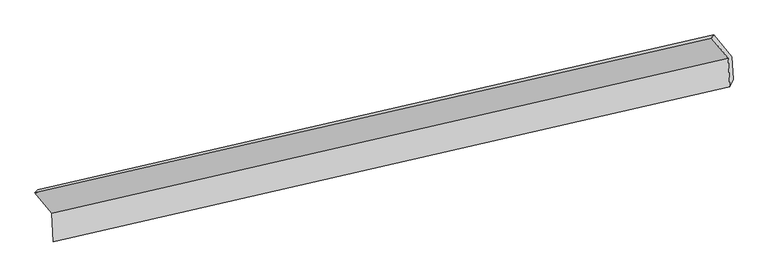
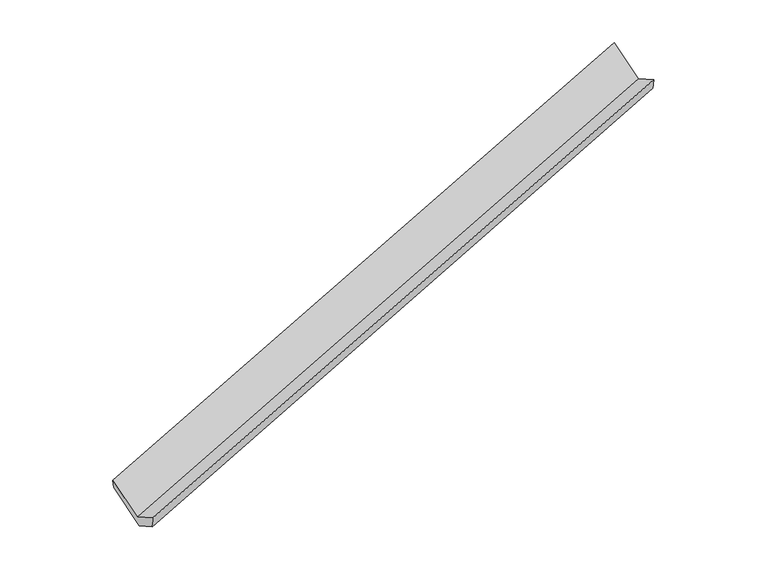
"""IFC4 building model written with IfcOpenShell, lengths in millimetres: proxy geometry."""

from ifc_helpers import new_model, si_unit, frame, origin, place, context, project, spatial, source, transform, mapped, element, save
from ifc_brep_helpers import plane_surface, spline_surface, advanced_brep


def generic_models_45637df9(model_context):
    return source(origin(), model_context, "Body", "AdvancedBrep", [
        advanced_brep(
        [(-8155.6623117, -3091.3191607, 30.4083155), (-8177.5443956, -2707.196548, -180.3983999), (2684.9244513, -221.8110206, 3241.6294488), (2705.6837264, -586.2236167, 3441.6192956), (-8463.2369648, -2361.327962, 479.4832998), (2397.441667, 126.2248572, 3905.6461185), (-8509.3642796, -2411.4184419, 663.4403758), (2357.9764328, 76.2208939, 4068.2581904), (-8238.935378, -2738.8083422, 38.8141082), (2626.6151192, -249.0017146, 3447.7668927), (-8212.6935313, -3199.4631308, 291.6217267), (2652.5643022, -704.5190239, 3697.7550595)],
        [
            (0, 1),
            (1, 2),
            (2, 3),
            (3, 0),
            (1, 4),
            (4, 5),
            (5, 2),
            (4, 6),
            (6, 7),
            (7, 5),
            (6, 8),
            (8, 9),
            (9, 7),
            (8, 10),
            (10, 11),
            (11, 9),
            (10, 0),
            (3, 11),
        ],
        [
            plane_surface(frame((-8166.6033537, -2899.2578544, -74.9950422), z_axis=(0.35948843861563595, -0.4331270805276748, -0.8265403768814115), x_axis=(-0.04987798178086257, 0.8755683768901131, -0.48051243930150345))),
            plane_surface(frame((-8320.3906802, -2534.262255, 149.54245), z_axis=(-0.049078109090048644, 0.8757510324009877, -0.4802618748732296), x_axis=(-0.3580430184688611, 0.43345835995256093, 0.8269939825131396))),
            spline_surface(1, 1, [[(-8463.2369648, -2361.327962, 479.4832998), (2397.441667, 126.2248572, 3905.6461185)], [(-8509.3642796, -2411.4184419, 663.4403758), (2357.9764328, 76.2208939, 4068.2581904)]], [2, 2], [2, 2], [0.0, 1.0], [0.0, 1.0]),
            plane_surface(frame((-8374.1498288, -2575.113392, 351.127242), z_axis=(0.04987798178084507, -0.875568376890107, 0.4805124393015161), x_axis=(0.3580430184688692, -0.4334583599525625, -0.8269939825131352))),
            plane_surface(frame((-8225.8144547, -2969.1357365, 165.2179174), z_axis=(-0.35868893012969083, 0.43331047506535625, 0.8267915599478828), x_axis=(0.049877981780856936, -0.8755683768901086, 0.48051243930151216))),
            spline_surface(1, 1, [[(-8212.6935313, -3199.4631308, 291.6217267), (2652.5643022, -704.5190239, 3697.7550595)], [(-8155.6623117, -3091.3191607, 30.4083155), (2705.6837264, -586.2236167, 3441.6192956)]], [2, 2], [2, 2], [0.0, 1.0], [0.0, 1.0]),
            plane_surface(frame((2570.8676165, -259.8516041, 3633.7791676), z_axis=(0.9323719128432574, 0.21329291497213496, 0.291871116357366), x_axis=(0.049877981780856936, -0.8755683768901086, 0.48051243930151216))),
            plane_surface(frame((-8292.9061435, -2751.5889309, 220.561571), z_axis=(-0.9323719128432515, -0.2132929149721506, -0.2918711163573728), x_axis=(-0.19774380018854418, -0.3749665492696989, 0.9057027527924201))),
        ],
        [
            (0, [[1, 2, 3, 4]]),
            (1, [[5, 6, 7, -2]]),
            (2, [[8, 9, 10, -6]]),
            (3, [[11, 12, 13, -9]]),
            (4, [[14, 15, 16, -12]]),
            (5, [[17, -4, 18, -15]]),
            (6, [[-16, -18, -3, -7, -10, -13]]),
            (7, [[-17, -14, -11, -8, -5, -1]]),
        ],
    ),
    ])


if __name__ == "__main__":
    model = new_model("IFC4")
    model_context = context("Model", 3, world=origin())
    ifc_project = project(units=[si_unit("LENGTHUNIT", "METRE", prefix="MILLI")], contexts=[model_context])
    site = spatial("IfcSite", under=ifc_project)
    building = spatial("IfcBuilding", under=site)
    placement = place(None, origin())
    generic_models_shape = generic_models_45637df9(model_context)
    element("IfcBuildingElementProxy", 1, Name="Generic Models", at=placement, inside=building, context=model_context, shape_type="MappedRepresentation", body=[
        mapped(generic_models_shape, transform((0.0, 0.0, 0.0), x_axis=(1.0, 0.0, 0.0), y_axis=(0.0, 1.0, 0.0), z_axis=(0.0, 0.0, 1.0))),
    ])
    save(model, "model.ifc")
